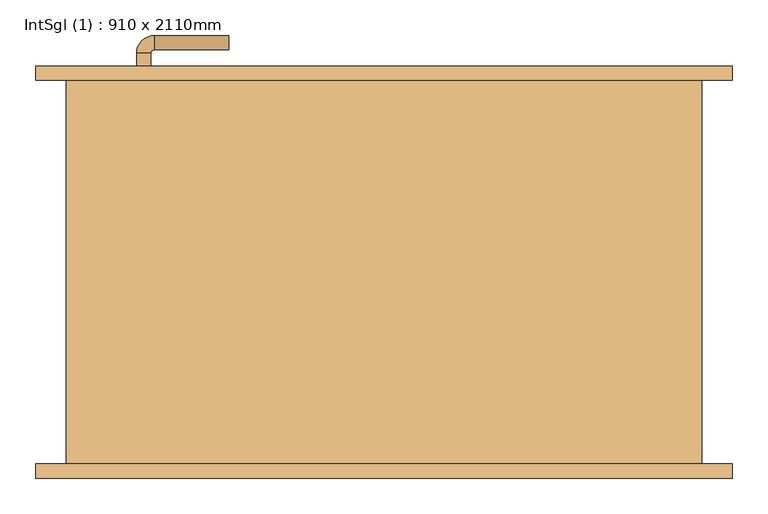
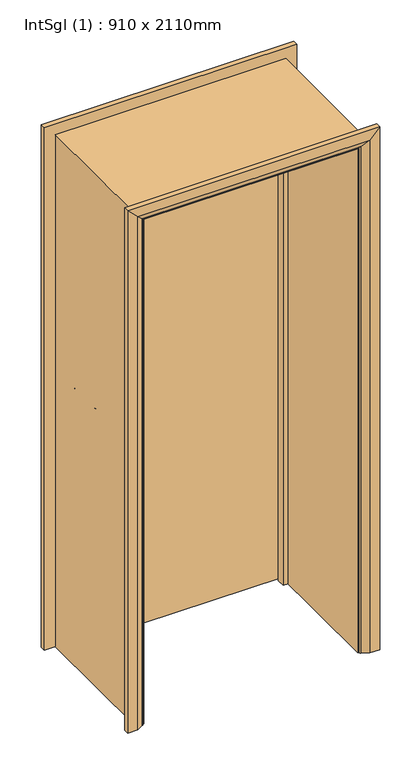
"""IFC4 building model written with IfcOpenShell, lengths in millimetres: door geometry, IntSgl (1) : 910 x 2110mm."""

from ifc_helpers import new_model, si_unit, point, frame, frame_2d, origin, place, context, project, spatial, polyline, circle_curve, ellipse_curve, trimmed, segment, composite_curve, outline, extrude, faceted_brep, source, transform, mapped, element, save
from ifc_brep_helpers import plane_surface, cylinder_surface, revolved_surface, advanced_brep


def intsgl_1_910_x_2110mm_071341c2(model_context):
    return source(origin(), model_context, "Body", "SolidModel", [
        advanced_brep(
        [(-348.0, 224.0, 1000.0), (-328.0, 224.0, 1000.0), (-328.0, 194.0, 1000.0), (-348.0, 194.0, 1000.0), (-323.0, 189.0, 1000.0), (-323.0, 169.0, 1000.0), (-218.0, 169.0, 1000.0), (-218.0, 189.0, 1000.0)],
        [
            (0, 1, circle_curve(frame((-338.0, 224.0, 1000.0), z_axis=(0.0, 1.0, 0.0), x_axis=(1.0, 0.0, 0.0)), 10.0)),
            (1, 0, circle_curve(frame((-338.0, 224.0, 1000.0), z_axis=(0.0, 1.0, 0.0), x_axis=(1.0, 0.0, 0.0)), 10.0)),
            (1, 2),
            (2, 3, circle_curve(frame((-338.0, 194.0, 1000.0), z_axis=(0.0, 1.0, 0.0), x_axis=(1.0, 0.0, 0.0)), 10.0)),
            (3, 0),
            (3, 2, circle_curve(frame((-338.0, 194.0, 1000.0), z_axis=(0.0, 1.0, 0.0), x_axis=(1.0, 0.0, 0.0)), 10.0)),
            (4, 5, circle_curve(frame((-323.0, 179.0, 1000.0), z_axis=(-1.0, 0.0, 0.0), x_axis=(0.0, 1.0, 0.0)), 10.0)),
            (5, 3, circle_curve(frame((-323.0, 194.0, 1000.0), z_axis=(0.0, 0.0, -1.0), x_axis=(-1.0, 0.0, 0.0)), 25.0)),
            (2, 4, circle_curve(frame((-323.0, 194.0, 1000.0), z_axis=(0.0, 0.0, 1.0), x_axis=(-1.0, 0.0, 0.0)), 5.0)),
            (5, 4, circle_curve(frame((-323.0, 179.0, 1000.0), z_axis=(-1.0, 0.0, 0.0), x_axis=(0.0, 1.0, 0.0)), 10.0)),
            (6, 7, circle_curve(frame((-218.0, 179.0, 1000.0), z_axis=(1.0, 0.0, 0.0), x_axis=(0.0, 1.0, 0.0)), 10.0)),
            (7, 6, circle_curve(frame((-218.0, 179.0, 1000.0), z_axis=(1.0, 0.0, 0.0), x_axis=(0.0, 1.0, 0.0)), 10.0)),
            (4, 7),
            (6, 5),
        ],
        [
            plane_surface(frame((-338.0, 224.0, 1000.0), z_axis=(0.0, 1.0, 0.0), x_axis=(0.0, 0.0, 1.0))),
            cylinder_surface(frame((-338.0, 224.0, 1000.0), z_axis=(0.0, 1.0, 0.0), x_axis=(1.0, 0.0, 0.0)), 10.0),
            revolved_surface(trimmed(ellipse_curve(frame((-338.0, 194.0, 1000.0), z_axis=(0.0, -1.0, 0.0), x_axis=(1.0, 0.0, 0.0)), 10.0, 10.0), [point((-348.0, 194.0, 1000.0))], [point((-328.0, 194.0, 1000.0))], True, "CARTESIAN"), (-323.0, 194.0, 1000.0), (0.0, 0.0, -1.0)),
            revolved_surface(trimmed(ellipse_curve(frame((-338.0, 194.0, 1000.0), z_axis=(0.0, -1.0, 0.0), x_axis=(1.0, 0.0, 0.0)), 10.0, 10.0), [point((-328.0, 194.0, 1000.0))], [point((-348.0, 194.0, 1000.0))], True, "CARTESIAN"), (-323.0, 194.0, 1000.0), (0.0, 0.0, -1.0)),
            plane_surface(frame((-218.0, 179.0, 1000.0), z_axis=(1.0, 0.0, 0.0), x_axis=(0.0, 0.0, 1.0))),
            cylinder_surface(frame((-323.0, 179.0, 1000.0), z_axis=(-1.0, 0.0, 0.0), x_axis=(0.0, 1.0, 0.0)), 10.0),
        ],
        [
            (0, [[1, 2]]),
            (1, [[3, 4, 5, -2]]),
            (1, [[-5, 6, -3, -1]]),
            (2, [[7, 8, -4, 9]]),
            (3, [[10, -9, -6, -8]]),
            (4, [[11, 12]]),
            (5, [[13, -11, 14, -7]]),
            (5, [[-14, -12, -13, -10]]),
        ],
    ),
        extrude(outline(composite_curve([segment(trimmed(circle_curve(frame_2d((1000.0, -340.5)), 30.0), [point((1000.0, -370.5))], [point((1000.0, -310.5))], False, "CARTESIAN"), True, "CONTINUOUS"), segment(trimmed(circle_curve(frame_2d((1000.0, -340.5)), 30.0), [point((1000.0, -310.5))], [point((1000.0, -370.5))], False, "CARTESIAN"), True, "CONTINUOUS")], self_intersect=False)), frame((0.0, 224.0, 0.0), z_axis=(0.0, 1.0, 0.0), x_axis=(0.0, 0.0, 1.0)), (0.0, 0.0, 1.0), 8.0),
        advanced_brep(
        [(-348.0, 278.0, 1000.0), (-328.0, 278.0, 1000.0), (-348.0, 308.0, 1000.0), (-328.0, 308.0, 1000.0), (-323.0, 313.0, 1000.0), (-323.0, 333.0, 1000.0), (-218.0, 333.0, 1000.0), (-218.0, 313.0, 1000.0)],
        [
            (0, 1, circle_curve(frame((-338.0, 278.0, 1000.0), z_axis=(0.0, -1.0, 0.0), x_axis=(1.0, 0.0, 0.0)), 10.0)),
            (1, 0, circle_curve(frame((-338.0, 278.0, 1000.0), z_axis=(0.0, -1.0, 0.0), x_axis=(1.0, 0.0, 0.0)), 10.0)),
            (0, 2),
            (2, 3, circle_curve(frame((-338.0, 308.0, 1000.0), z_axis=(0.0, -1.0, 0.0), x_axis=(1.0, 0.0, 0.0)), 10.0)),
            (3, 1),
            (3, 2, circle_curve(frame((-338.0, 308.0, 1000.0), z_axis=(0.0, -1.0, 0.0), x_axis=(1.0, 0.0, 0.0)), 10.0)),
            (4, 3, circle_curve(frame((-323.0, 308.0, 1000.0), z_axis=(0.0, 0.0, 1.0), x_axis=(-1.0, 0.0, 0.0)), 5.0)),
            (2, 5, circle_curve(frame((-323.0, 308.0, 1000.0), z_axis=(0.0, 0.0, -1.0), x_axis=(-1.0, 0.0, 0.0)), 25.0)),
            (5, 4, circle_curve(frame((-323.0, 323.0, 1000.0), z_axis=(-1.0, 0.0, 0.0), x_axis=(0.0, -1.0, 0.0)), 10.0)),
            (4, 5, circle_curve(frame((-323.0, 323.0, 1000.0), z_axis=(-1.0, 0.0, 0.0), x_axis=(0.0, -1.0, 0.0)), 10.0)),
            (6, 7, circle_curve(frame((-218.0, 323.0, 1000.0), z_axis=(1.0, 0.0, 0.0), x_axis=(0.0, -1.0, 0.0)), 10.0)),
            (7, 6, circle_curve(frame((-218.0, 323.0, 1000.0), z_axis=(1.0, 0.0, 0.0), x_axis=(0.0, -1.0, 0.0)), 10.0)),
            (5, 6),
            (7, 4),
        ],
        [
            plane_surface(frame((-338.0, 278.0, 1000.0), z_axis=(0.0, -1.0, 0.0), x_axis=(0.0, 0.0, 1.0))),
            cylinder_surface(frame((-338.0, 278.0, 1000.0), z_axis=(0.0, -1.0, 0.0), x_axis=(1.0, 0.0, 0.0)), 10.0),
            revolved_surface(trimmed(ellipse_curve(frame((-338.0, 308.0, 1000.0), z_axis=(0.0, -1.0, 0.0), x_axis=(1.0, 0.0, 0.0)), 10.0, 10.0), [point((-348.0, 308.0, 1000.0))], [point((-328.0, 308.0, 1000.0))], True, "CARTESIAN"), (-323.0, 308.0, 1000.0), (0.0, 0.0, -1.0)),
            revolved_surface(trimmed(ellipse_curve(frame((-338.0, 308.0, 1000.0), z_axis=(0.0, -1.0, 0.0), x_axis=(1.0, 0.0, 0.0)), 10.0, 10.0), [point((-328.0, 308.0, 1000.0))], [point((-348.0, 308.0, 1000.0))], True, "CARTESIAN"), (-323.0, 308.0, 1000.0), (0.0, 0.0, -1.0)),
            plane_surface(frame((-218.0, 323.0, 1000.0), z_axis=(1.0, 0.0, 0.0), x_axis=(0.0, 0.0, 1.0))),
            cylinder_surface(frame((-323.0, 323.0, 1000.0), z_axis=(-1.0, 0.0, 0.0), x_axis=(0.0, -1.0, 0.0)), 10.0),
        ],
        [
            (0, [[1, 2]]),
            (1, [[-1, 3, 4, 5]]),
            (1, [[-2, -5, 6, -3]]),
            (2, [[7, -4, 8, 9]]),
            (3, [[-8, -6, -7, 10]]),
            (4, [[11, 12]]),
            (5, [[-9, 13, -12, 14]]),
            (5, [[-10, -14, -11, -13]]),
        ],
    ),
        extrude(outline(composite_curve([segment(trimmed(circle_curve(frame_2d((1000.0, -340.5)), 30.0), [point((1000.0, -370.5))], [point((1000.0, -310.5))], False, "CARTESIAN"), True, "CONTINUOUS"), segment(trimmed(circle_curve(frame_2d((1000.0, -340.5)), 30.0), [point((1000.0, -310.5))], [point((1000.0, -370.5))], False, "CARTESIAN"), True, "CONTINUOUS")], self_intersect=False)), frame((0.0, 270.0, 0.0), z_axis=(0.0, 1.0, 0.0), x_axis=(0.0, 0.0, 1.0)), (0.0, 0.0, 1.0), 8.0),
        extrude(outline(polyline([(413.0, 232.0), (-413.0, 232.0), (-413.0, 270.0), (413.0, 270.0), (413.0, 232.0)])), frame((0.0, 0.0, 8.0), z_axis=(0.0, 0.0, 1.0), x_axis=(1.0, 0.0, 0.0)), (0.0, 0.0, 1.0), 2060.0),
        advanced_brep(
        [(490.0, 290.0, 0.0), (490.0, 270.0, 0.0), (420.0, 270.0, 0.0), (424.0, 276.0, 0.0), (450.0, 290.0, 0.0), (490.0, 290.0, 2145.0), (490.0, 270.0, 2145.0), (-490.0, 270.0, 2145.0), (-490.0, 270.0, 0.0), (-420.0, 270.0, 0.0), (-420.0, 270.0, 2075.0), (420.0, 270.0, 2075.0), (424.0, 276.0, 2079.0), (450.0, 290.0, 2105.0), (-450.0, 290.0, 2105.0), (-450.0, 290.0, 0.0), (-490.0, 290.0, 0.0), (-490.0, 290.0, 2145.0), (-424.0, 276.0, 2079.0), (-424.0, 276.0, 0.0)],
        [
            (0, 1),
            (1, 2),
            (2, 3, circle_curve(frame((428.0, 269.0, 0.0), z_axis=(0.0, 0.0, -1.0), x_axis=(1.0, 0.0, 0.0)), 8.0622577)),
            (3, 4),
            (4, 0),
            (0, 5),
            (5, 6),
            (6, 1),
            (6, 7),
            (7, 8),
            (8, 9),
            (9, 10),
            (10, 11),
            (11, 2),
            (11, 12, ellipse_curve(frame((428.0, 269.0, 2083.0), z_axis=(0.7071067811865475, 0.0, -0.7071067811865475), x_axis=(-0.7071067811865474, 0.0, -0.7071067811865476)), 11.4017543, 8.0622577)),
            (12, 3),
            (12, 13),
            (13, 4),
            (13, 14),
            (14, 15),
            (15, 16),
            (16, 17),
            (17, 5),
            (17, 7),
            (10, 18, ellipse_curve(frame((-428.0, 269.0, 2083.0), z_axis=(0.7071067811865475, 0.0, 0.7071067811865475), x_axis=(0.7071067811865476, 0.0, -0.7071067811865474)), 11.4017543, 8.0622577)),
            (18, 12),
            (18, 14),
            (15, 19),
            (19, 9, circle_curve(frame((-428.0, 269.0, 0.0), z_axis=(0.0, 0.0, -1.0), x_axis=(-1.0, 0.0, 0.0)), 8.0622577)),
            (8, 16),
            (19, 18),
        ],
        [
            plane_surface(frame((420.0, 270.0, 0.0), z_axis=(0.0, 0.0, -1.0), x_axis=(0.0, -1.0, 0.0))),
            plane_surface(frame((490.0, 290.0, 0.0), z_axis=(1.0, 0.0, 0.0), x_axis=(0.0, 0.0, 1.0))),
            plane_surface(frame((490.0, 270.0, 0.0), z_axis=(0.0, -1.0, 0.0), x_axis=(0.0, 0.0, 1.0))),
            cylinder_surface(frame((428.0, 269.0, 0.0), z_axis=(0.0, 0.0, -1.0), x_axis=(1.0, 0.0, 0.0)), 8.0622577),
            plane_surface(frame((424.0, 276.0, 0.0), z_axis=(-0.4740998230350126, 0.880471099922178, 0.0), x_axis=(0.0, 0.0, 1.0))),
            plane_surface(frame((450.0, 290.0, 0.0), z_axis=(0.0, 1.0, 0.0), x_axis=(0.0, 0.0, 1.0))),
            plane_surface(frame((490.0, 290.0, 2145.0), z_axis=(0.0, 0.0, 1.0), x_axis=(-1.0, 0.0, 0.0))),
            cylinder_surface(frame((420.0, 269.0, 2083.0), z_axis=(1.0, 0.0, 0.0), x_axis=(0.0, 0.0, 1.0)), 8.0622577),
            plane_surface(frame((424.0, 276.0, 2079.0), z_axis=(0.0, 0.8804710999221764, -0.4740998230350154), x_axis=(-1.0, 0.0, 0.0))),
            plane_surface(frame((-420.0, 270.0, 0.0), z_axis=(0.0, 0.0, -1.0), x_axis=(0.0, -1.0, 0.0))),
            plane_surface(frame((-490.0, 290.0, 2145.0), z_axis=(-1.0, 0.0, 0.0), x_axis=(0.0, 0.0, -1.0))),
            cylinder_surface(frame((-428.0, 269.0, 2075.0), z_axis=(0.0, 0.0, 1.0), x_axis=(-1.0, 0.0, 0.0)), 8.0622577),
            plane_surface(frame((-424.0, 276.0, 2079.0), z_axis=(0.47409982303501824, 0.8804710999221749, 0.0), x_axis=(0.0, 0.0, -1.0))),
        ],
        [
            (0, [[1, 2, 3, 4, 5]]),
            (1, [[-1, 6, 7, 8]]),
            (2, [[-2, -8, 9, 10, 11, 12, 13, 14]]),
            (3, [[-3, -14, 15, 16]]),
            (4, [[-4, -16, 17, 18]]),
            (5, [[-5, -18, 19, 20, 21, 22, 23, -6]]),
            (6, [[-7, -23, 24, -9]]),
            (7, [[-15, -13, 25, 26]]),
            (8, [[-17, -26, 27, -19]]),
            (9, [[-21, 28, 29, -11, 30]]),
            (10, [[-24, -22, -30, -10]]),
            (11, [[-25, -12, -29, 31]]),
            (12, [[-27, -31, -28, -20]]),
        ],
    ),
        extrude(outline(polyline([(0.0, -415.0), (0.0, -396.0), (2051.0, -396.0), (2051.0, 396.0), (0.0, 396.0), (0.0, 415.0), (2070.0, 415.0), (2070.0, -415.0), (0.0, -415.0)])), frame((0.0, 198.0, 0.0), z_axis=(0.0, 1.0, 0.0), x_axis=(0.0, 0.0, 1.0)), (0.0, 0.0, 1.0), 32.0),
        advanced_brep(
        [(-490.0, -290.0, 0.0), (-490.0, -270.0, 0.0), (-420.0, -270.0, 0.0), (-424.0, -276.0, 0.0), (-450.0, -290.0, 0.0), (-490.0, -290.0, 2145.0), (-490.0, -270.0, 2145.0), (-420.0, -270.0, 2075.0), (-424.0, -276.0, 2079.0), (-450.0, -290.0, 2105.0), (490.0, -290.0, 2145.0), (490.0, -270.0, 2145.0), (420.0, -270.0, 2075.0), (424.0, -276.0, 2079.0), (450.0, -290.0, 2105.0), (490.0, -290.0, 0.0), (450.0, -290.0, 0.0), (424.0, -276.0, 0.0), (420.0, -270.0, 0.0), (490.0, -270.0, 0.0)],
        [
            (0, 1),
            (1, 2),
            (2, 3, circle_curve(frame((-428.0, -269.0, 0.0), z_axis=(0.0, 0.0, -1.0), x_axis=(-1.0, 0.0, 0.0)), 8.0622577)),
            (3, 4),
            (4, 0),
            (0, 5),
            (5, 6),
            (6, 1),
            (6, 7),
            (7, 2),
            (7, 8, ellipse_curve(frame((-428.0, -269.0, 2083.0), z_axis=(-0.7071067811865475, 0.0, -0.7071067811865475), x_axis=(0.7071067811865474, 0.0, -0.7071067811865476)), 11.4017543, 8.0622577)),
            (8, 3),
            (8, 9),
            (9, 4),
            (9, 5),
            (5, 10),
            (10, 11),
            (11, 6),
            (11, 12),
            (12, 7),
            (12, 13, ellipse_curve(frame((428.0, -269.0, 2083.0), z_axis=(-0.7071067811865475, 0.0, 0.7071067811865475), x_axis=(-0.7071067811865476, 0.0, -0.7071067811865474)), 11.4017543, 8.0622577)),
            (13, 8),
            (13, 14),
            (14, 9),
            (14, 10),
            (15, 16),
            (16, 17),
            (17, 18, circle_curve(frame((428.0, -269.0, 0.0), z_axis=(0.0, 0.0, -1.0), x_axis=(1.0, 0.0, 0.0)), 8.0622577)),
            (18, 19),
            (19, 15),
            (10, 15),
            (19, 11),
            (18, 12),
            (17, 13),
            (16, 14),
        ],
        [
            plane_surface(frame((-420.0, -342.8010989, 0.0), z_axis=(0.0, 0.0, -1.0), x_axis=(1.0, 0.0, 0.0))),
            plane_surface(frame((-490.0, -290.0, 0.0), z_axis=(-1.0, 0.0, 0.0), x_axis=(0.0, 0.0, 1.0))),
            plane_surface(frame((-490.0, -270.0, 0.0), z_axis=(0.0, 1.0, 0.0), x_axis=(0.0, 0.0, 1.0))),
            cylinder_surface(frame((-428.0, -269.0, 0.0), z_axis=(0.0, 0.0, -1.0), x_axis=(-1.0, 0.0, 0.0)), 8.0622577),
            plane_surface(frame((-424.0, -276.0, 0.0), z_axis=(0.4740998230350183, -0.8804710999221749, 0.0), x_axis=(0.0, 0.0, 1.0))),
            plane_surface(frame((-450.0, -290.0, 0.0), z_axis=(0.0, -1.0, 0.0), x_axis=(0.0, 0.0, 1.0))),
            plane_surface(frame((-490.0, -290.0, 2145.0), z_axis=(0.0, 0.0, 1.0), x_axis=(1.0, 0.0, 0.0))),
            plane_surface(frame((-490.0, -270.0, 2145.0), z_axis=(0.0, 1.0, 0.0), x_axis=(1.0, 0.0, 0.0))),
            cylinder_surface(frame((-420.0, -269.0, 2083.0), z_axis=(-1.0, 0.0, 0.0), x_axis=(0.0, 0.0, 1.0)), 8.0622577),
            plane_surface(frame((-424.0, -276.0, 2079.0), z_axis=(0.0, -0.8804710999221749, -0.4740998230350183), x_axis=(1.0, 0.0, 0.0))),
            plane_surface(frame((-450.0, -290.0, 2105.0), z_axis=(0.0, -1.0, 0.0), x_axis=(1.0, 0.0, 0.0))),
            plane_surface(frame((420.0, -342.8010989, 0.0), z_axis=(0.0, 0.0, -1.0), x_axis=(-1.0, 0.0, 0.0))),
            plane_surface(frame((490.0, -290.0, 2145.0), z_axis=(1.0, 0.0, 0.0), x_axis=(0.0, 0.0, -1.0))),
            plane_surface(frame((490.0, -270.0, 2145.0), z_axis=(0.0, 1.0, 0.0), x_axis=(0.0, 0.0, -1.0))),
            cylinder_surface(frame((428.0, -269.0, 2075.0), z_axis=(0.0, 0.0, 1.0), x_axis=(1.0, 0.0, 0.0)), 8.0622577),
            plane_surface(frame((424.0, -276.0, 2079.0), z_axis=(-0.4740998230350183, -0.8804710999221749, 0.0), x_axis=(0.0, 0.0, -1.0))),
            plane_surface(frame((450.0, -290.0, 2105.0), z_axis=(0.0, -1.0, 0.0), x_axis=(0.0, 0.0, -1.0))),
        ],
        [
            (0, [[1, 2, 3, 4, 5]]),
            (1, [[-1, 6, 7, 8]]),
            (2, [[-2, -8, 9, 10]]),
            (3, [[-3, -10, 11, 12]]),
            (4, [[-4, -12, 13, 14]]),
            (5, [[-5, -14, 15, -6]]),
            (6, [[-7, 16, 17, 18]]),
            (7, [[-9, -18, 19, 20]]),
            (8, [[-11, -20, 21, 22]]),
            (9, [[-13, -22, 23, 24]]),
            (10, [[-15, -24, 25, -16]]),
            (11, [[26, 27, 28, 29, 30]]),
            (12, [[-17, 31, -30, 32]]),
            (13, [[-19, -32, -29, 33]]),
            (14, [[-21, -33, -28, 34]]),
            (15, [[-23, -34, -27, 35]]),
            (16, [[-25, -35, -26, -31]]),
        ],
    ),
        faceted_brep([(-415.0, 270.0, 0.0), (-415.0, -270.0, 0.0), (-447.0, -270.0, 0.0), (-447.0, 270.0, 0.0), (-415.0, 270.0, 2070.0), (-415.0, -270.0, 2070.0), (-447.0, -270.0, 2102.0), (-447.0, 270.0, 2102.0), (415.0, 270.0, 2070.0), (415.0, -270.0, 2070.0), (447.0, -270.0, 2102.0), (447.0, 270.0, 2102.0), (415.0, 270.0, 0.0), (447.0, 270.0, 0.0), (447.0, -270.0, 0.0), (415.0, -270.0, 0.0)], [[[0, 1, 2, 3]], [[1, 0, 4, 5]], [[2, 1, 5, 6]], [[3, 2, 6, 7]], [[0, 3, 7, 4]], [[5, 4, 8, 9]], [[6, 5, 9, 10]], [[7, 6, 10, 11]], [[4, 7, 11, 8]], [[12, 13, 14, 15]], [[9, 8, 12, 15]], [[10, 9, 15, 14]], [[11, 10, 14, 13]], [[8, 11, 13, 12]]]),
    ])


if __name__ == "__main__":
    model = new_model("IFC4")
    model_context = context("Model", 3, world=origin())
    ifc_project = project(units=[si_unit("LENGTHUNIT", "METRE", prefix="MILLI")], contexts=[model_context])
    site = spatial("IfcSite", under=ifc_project)
    building = spatial("IfcBuilding", under=site)
    placement = place(None, origin())
    intsgl_1_910_x_2110mm_shape = intsgl_1_910_x_2110mm_071341c2(model_context)
    element("IfcDoor", 1, ObjectType="IntSgl (1) : 910 x 2110mm", at=placement, inside=building, context=model_context, shape_type="MappedRepresentation", body=[
        mapped(intsgl_1_910_x_2110mm_shape, transform((0.0, 0.0, 0.0), x_axis=(1.0, 0.0, 0.0), y_axis=(0.0, 1.0, 0.0), z_axis=(0.0, 0.0, 1.0))),
    ])
    save(model, "model.ifc")
